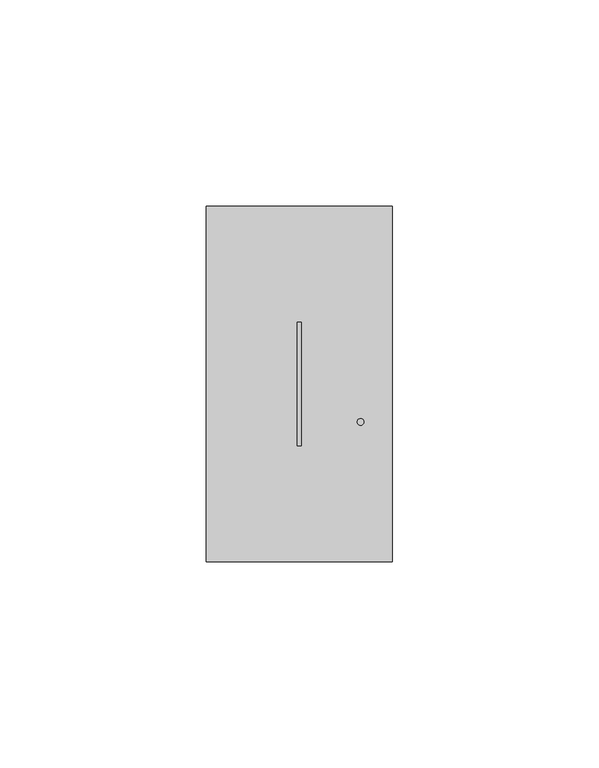
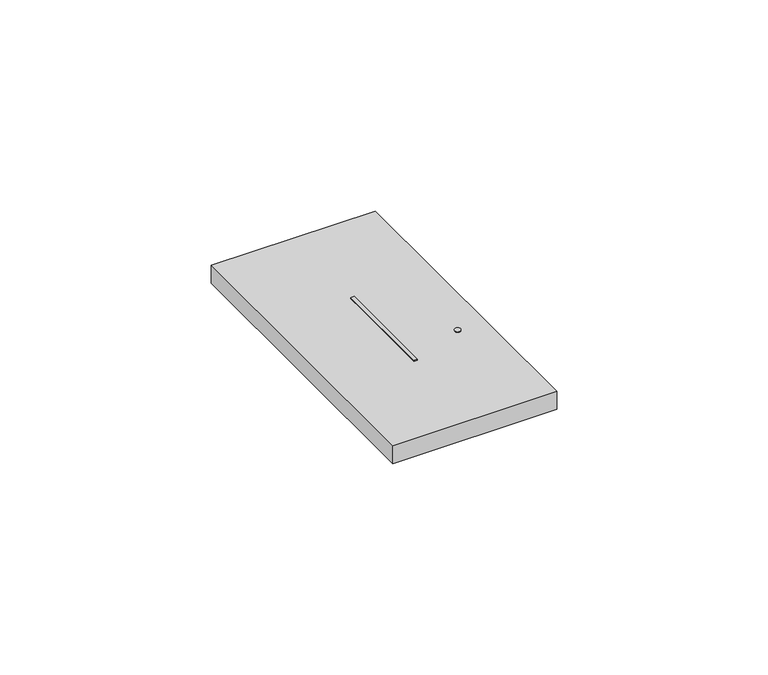
"""IFC4 building model written with IfcOpenShell, lengths in millimetres: proxy geometry."""

import ifcopenshell
import ifcopenshell.guid

model = None  # the IFC model being written
_history = None  # IfcOwnerHistory: only IFC2X3 demands one
_inside = {}  # id of a spatial element -> (the spatial element, [elements in it])
_under = {}  # id of a project, library or spatial element -> (it, [spatial elements below it])
_declared = {}  # id of a project -> (the project, [libraries it declares])
_typed = {}  # id of a type object -> (the type object, [elements of that type])
_made_of = {}  # id of a material, layer set ... -> (it, [elements and type objects made of it])


def new_model(schema):
    """Start an empty IFC model of exactly this schema.

    Asked for "IFC4X3", IfcOpenShell would pick the latest addendum, in which some entities
    have other attributes; the version numbers below select the first issue.
    IFC2X3 requires an IfcOwnerHistory on every rooted entity: one is made here for all.
    """
    global model, _history
    if schema == "IFC4X3":
        model = ifcopenshell.file(schema_version=(4, 3, 0, 0))
    else:
        model = ifcopenshell.file(schema=schema)
    _inside.clear()
    _under.clear()
    _declared.clear()
    _typed.clear()
    _made_of.clear()
    _history = None
    if model.schema == "IFC2X3":
        org = make("IfcOrganization", Name="unknown")
        user = make(
            "IfcPersonAndOrganization",
            ThePerson=make("IfcPerson", FamilyName="unknown"),
            TheOrganization=org,
        )
        app = make(
            "IfcApplication",
            ApplicationDeveloper=org,
            Version="unknown",
            ApplicationFullName="unknown",
            ApplicationIdentifier="unknown",
        )
        _history = make(
            "IfcOwnerHistory",
            OwningUser=user,
            OwningApplication=app,
            ChangeAction="ADDED",
            CreationDate=0,
        )
    return model


def make(cls, **values):
    """One entity of the class cls with the attributes given. An attribute that is None is left unset."""
    return model.create_entity(
        cls, **{name: value for name, value in values.items() if value is not None}
    )


def rooted(cls, **values):
    """An entity with a GlobalId (a new one), such as an element, a storey or a relation."""
    return make(cls, GlobalId=ifcopenshell.guid.new(), OwnerHistory=_history, **values)


def si_unit(unit_type, name, prefix=None):
    """IfcSIUnit, for example si_unit("LENGTHUNIT", "METRE", prefix="MILLI")."""
    return make("IfcSIUnit", UnitType=unit_type, Prefix=prefix, Name=name)


def assignment(units):
    """IfcUnitAssignment: the units of a project."""
    return None if units is None else make("IfcUnitAssignment", Units=units)


def point(xyz):
    """IfcCartesianPoint."""
    return None if xyz is None else make("IfcCartesianPoint", Coordinates=xyz)


def direction(xyz):
    """IfcDirection."""
    return None if xyz is None else make("IfcDirection", DirectionRatios=xyz)


def frame(location, z_axis=None, x_axis=None):
    """IfcAxis2Placement3D, a coordinate frame: its origin and axes. An axis left out is left unset."""
    return make(
        "IfcAxis2Placement3D",
        Location=point(location),
        Axis=direction(z_axis),
        RefDirection=direction(x_axis),
    )


def frame_2d(location, x_axis=None):
    """IfcAxis2Placement2D, a coordinate frame in the plane: its origin and x axis."""
    return make(
        "IfcAxis2Placement2D", Location=point(location), RefDirection=direction(x_axis)
    )


def origin():
    """The frame at (0, 0, 0) with its axes left unset."""
    return frame((0.0, 0.0, 0.0))


def place(relative_to, where):
    """IfcLocalPlacement: puts the frame where relative to a parent placement (None: the world)."""
    return make(
        "IfcLocalPlacement", PlacementRelTo=relative_to, RelativePlacement=where
    )


def context(
    kind, dimensions, precision=None, world=None, true_north=None, identifier=None
):
    """IfcGeometricRepresentationContext, for example the 3D "Model" context."""
    return make(
        "IfcGeometricRepresentationContext",
        ContextIdentifier=identifier,
        ContextType=kind,
        CoordinateSpaceDimension=dimensions,
        Precision=precision,
        WorldCoordinateSystem=world,
        TrueNorth=true_north,
    )


def project(units=None, contexts=None):
    """IfcProject with its units and contexts."""
    return rooted(
        "IfcProject",
        Name="project",
        RepresentationContexts=contexts,
        UnitsInContext=assignment(units),
    )


def spatial(cls, under=None, at=None, **own):
    """A site, building, storey or space (cls), placed at a placement, below another one or the project."""
    s = rooted(cls, ObjectPlacement=at, **own)
    if under is not None:
        _under.setdefault(under.id(), (under, []))[1].append(s)
    return s


def polyline(points):
    """IfcPolyline through the points."""
    return make("IfcPolyline", Points=[point(p) for p in points])


def circle_curve(where, radius):
    """IfcCircle in the frame where."""
    return make("IfcCircle", Position=where, Radius=radius)


def trimmed(basis, trim1, trim2, sense, master):
    """IfcTrimmedCurve: the piece of a basis curve between two trims."""
    return make(
        "IfcTrimmedCurve",
        BasisCurve=basis,
        Trim1=trim1,
        Trim2=trim2,
        SenseAgreement=sense,
        MasterRepresentation=master,
    )


def segment(curve, same_sense, transition):
    """IfcCompositeCurveSegment."""
    return make(
        "IfcCompositeCurveSegment",
        Transition=transition,
        SameSense=same_sense,
        ParentCurve=curve,
    )


def composite_curve(segments, self_intersect=None):
    """IfcCompositeCurve: segments joined end to end."""
    return make("IfcCompositeCurve", Segments=segments, SelfIntersect=self_intersect)


def outline(outer, holes=None, kind="AREA"):
    """IfcArbitraryClosedProfileDef: a profile drawn as a closed curve; with holes, ...WithVoids."""
    if holes is None:
        return make("IfcArbitraryClosedProfileDef", ProfileType=kind, OuterCurve=outer)
    return make(
        "IfcArbitraryProfileDefWithVoids",
        ProfileType=kind,
        OuterCurve=outer,
        InnerCurves=holes,
    )


def extrude(swept, where, along, depth):
    """IfcExtrudedAreaSolid: the profile swept, set in the frame where, extruded along a direction by depth."""
    return make(
        "IfcExtrudedAreaSolid",
        SweptArea=swept,
        Position=where,
        ExtrudedDirection=direction(along),
        Depth=depth,
    )


def shape(context_of_items, identifier, shape_type, items):
    """IfcShapeRepresentation: the items that make up one representation, for example the "Body"."""
    return make(
        "IfcShapeRepresentation",
        ContextOfItems=context_of_items,
        RepresentationIdentifier=identifier,
        RepresentationType=shape_type,
        Items=items,
    )


def source(mapping_origin, context_of_items, identifier, shape_type, items):
    """IfcRepresentationMap: a shape defined once, which mapped items show again and again."""
    return make(
        "IfcRepresentationMap",
        MappingOrigin=mapping_origin,
        MappedRepresentation=shape(context_of_items, identifier, shape_type, items),
    )


def transform(
    local_origin,
    x_axis=None,
    y_axis=None,
    z_axis=None,
    scale=None,
    scale2=None,
    scale3=None,
    uniform=True,
):
    """IfcCartesianTransformationOperator3D, or its non-uniform kind. x_axis, y_axis, z_axis: its Axis1, 2, 3."""
    if uniform:
        return make(
            "IfcCartesianTransformationOperator3D",
            Axis1=direction(x_axis),
            Axis2=direction(y_axis),
            LocalOrigin=point(local_origin),
            Scale=scale,
            Axis3=direction(z_axis),
        )
    return make(
        "IfcCartesianTransformationOperator3DnonUniform",
        Axis1=direction(x_axis),
        Axis2=direction(y_axis),
        LocalOrigin=point(local_origin),
        Scale=scale,
        Axis3=direction(z_axis),
        Scale2=scale2,
        Scale3=scale3,
    )


def mapped(mapping_source, mapping_target):
    """IfcMappedItem: shows the shape of a source again, moved by a transform."""
    return make(
        "IfcMappedItem", MappingSource=mapping_source, MappingTarget=mapping_target
    )


def made_of(thing, what):
    """Note that an element or type object is made of a material, layer set ...; save() writes the relation."""
    if what is not None:
        _made_of.setdefault(what.id(), (what, []))[1].append(thing)
    return thing


def element(
    cls,
    number,
    at=None,
    inside=None,
    cuts=None,
    type_object=None,
    material=None,
    context=None,
    identifier="Body",
    shape_type=None,
    held_by="IfcProductDefinitionShape",
    body=None,
    shapes=None,
    **own,
):
    """One element of the class cls, such as IfcWall. Its Tag is "e" and its number.

    at: its placement. inside: the storey or other place that contains it. cuts: it is an
    opening in that element (IfcRelVoidsElement). A single representation is given by context,
    identifier, shape_type and body (its items); several are given by shapes. held_by: the class
    of the entity that holds the representations. save() writes the other relations.
    """
    e = rooted(cls, Tag="e%d" % number, ObjectPlacement=at, **own)
    if body is not None:
        shapes = [shape(context, identifier, shape_type, body)]
    if shapes is not None:
        e.Representation = make(held_by, Representations=shapes)
    if inside is not None:
        _inside.setdefault(inside.id(), (inside, []))[1].append(e)
    if cuts is not None:
        rooted(
            "IfcRelVoidsElement", RelatingBuildingElement=cuts, RelatedOpeningElement=e
        )
    if type_object is not None:
        _typed.setdefault(type_object.id(), (type_object, []))[1].append(e)
    return made_of(e, material)


def aggregate(whole, parts):
    """IfcRelAggregates: a whole, such as a stair, and the parts it consists of."""
    return rooted("IfcRelAggregates", RelatingObject=whole, RelatedObjects=parts)


def save(model, path):
    """Write the relations noted so far, then the file.

    IfcRelAggregates (storeys below a building ...), IfcRelContainedInSpatialStructure (elements
    in a storey), IfcRelDefinesByType, IfcRelAssociatesMaterial and IfcRelDeclares: one each for
    every whole, place, type object, material and project.
    """
    for whole, parts in _under.values():
        aggregate(whole, parts)
    for where, things in _inside.values():
        rooted(
            "IfcRelContainedInSpatialStructure",
            RelatedElements=things,
            RelatingStructure=where,
        )
    for kind, things in _typed.values():
        rooted("IfcRelDefinesByType", RelatedObjects=things, RelatingType=kind)
    for what, things in _made_of.values():
        rooted("IfcRelAssociatesMaterial", RelatedObjects=things, RelatingMaterial=what)
    for by, libraries in _declared.values():
        rooted("IfcRelDeclares", RelatingContext=by, RelatedDefinitions=libraries)
    model.write(path)


def electrical_fixtures_5dd63b34(model_context):
    return source(origin(), model_context, "Body", "SweptSolid", [
        extrude(outline(polyline([(22.0, 58.0), (23.0, 58.0), (23.0, 28.0), (22.0, 28.0), (22.0, 58.0)])), frame((0.0, 0.0, 5.5), z_axis=(0.0, 0.0, 1.0), x_axis=(1.0, 0.0, 0.0)), (0.0, 0.0, 1.0), 5.2),
        extrude(outline(composite_curve([segment(trimmed(circle_curve(frame_2d((37.3398708, 33.8172521)), 0.8), [point((36.5398708, 33.8172521))], [point((38.1398708, 33.8172521))], False, "CARTESIAN"), True, "CONTINUOUS"), segment(trimmed(circle_curve(frame_2d((37.3398708, 33.8172521)), 0.8), [point((38.1398708, 33.8172521))], [point((36.5398708, 33.8172521))], False, "CARTESIAN"), True, "CONTINUOUS")], self_intersect=False)), frame((0.0, 0.0, 5.5), z_axis=(0.0, 0.0, 1.0), x_axis=(1.0, 0.0, 0.0)), (0.0, 0.0, 1.0), 5.2),
        extrude(outline(polyline([(0.0, 0.0), (0.0, 86.0), (45.0, 86.0), (45.0, 0.0), (0.0, 0.0)]), holes=[polyline([(22.0, 58.0), (22.0, 28.0), (23.0, 28.0), (23.0, 58.0), (22.0, 58.0)]), composite_curve([segment(trimmed(circle_curve(frame_2d((37.3398708, 33.8172521)), 0.8), [point((36.5398708, 33.8172521))], [point((38.1398708, 33.8172521))], True, "CARTESIAN"), True, "CONTINUOUS"), segment(trimmed(circle_curve(frame_2d((37.3398708, 33.8172521)), 0.8), [point((38.1398708, 33.8172521))], [point((36.5398708, 33.8172521))], True, "CARTESIAN"), True, "CONTINUOUS")], self_intersect=False)]), frame((0.0, 0.0, 5.5), z_axis=(0.0, 0.0, 1.0), x_axis=(1.0, 0.0, 0.0)), (0.0, 0.0, 1.0), 5.2),
    ])


if __name__ == "__main__":
    model = new_model("IFC4")
    model_context = context("Model", 3, world=origin())
    ifc_project = project(units=[si_unit("LENGTHUNIT", "METRE", prefix="MILLI")], contexts=[model_context])
    site = spatial("IfcSite", under=ifc_project)
    building = spatial("IfcBuilding", under=site)
    placement = place(None, origin())
    electrical_fixtures_shape = electrical_fixtures_5dd63b34(model_context)
    element("IfcBuildingElementProxy", 1, Name="Electrical Fixtures", at=placement, inside=building, context=model_context, shape_type="MappedRepresentation", body=[
        mapped(electrical_fixtures_shape, transform((0.0, 0.0, 0.0), x_axis=(1.0, 0.0, 0.0), y_axis=(0.0, 1.0, 0.0), z_axis=(0.0, 0.0, 1.0))),
    ])
    save(model, "model.ifc")
